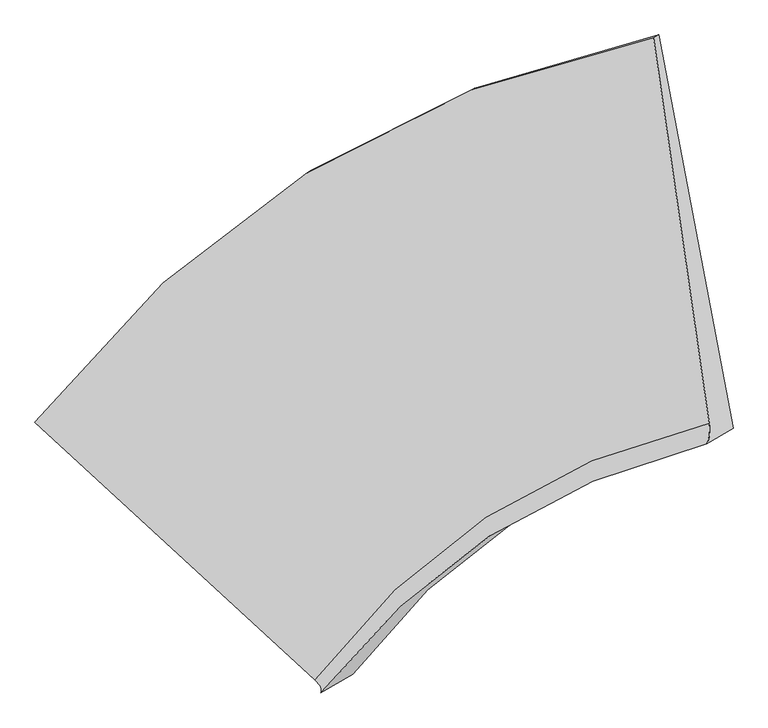
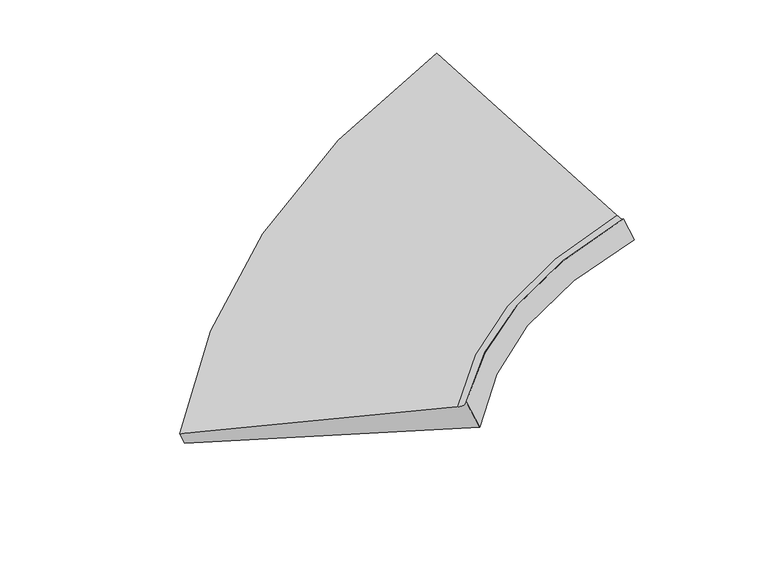
"""IFC4 building model written with IfcOpenShell, lengths in millimetres: proxy geometry."""

from ifc_helpers import new_model, si_unit, frame, origin, place, context, project, spatial, source, transform, mapped, element, save
from ifc_brep_helpers import plane_surface, spline_curve, spline_surface, advanced_brep


def generic_models_a924187b(model_context):
    return source(origin(), model_context, "Body", "AdvancedBrep", [
        advanced_brep(
        [(-3579.4191739, -5321.4659351, 458.3909318), (-3665.3828247, -5372.2466504, 631.6871225), (920.5340195, -2523.9113363, 1905.1026555), (958.538903, -2501.4609732, 1828.4876969), (-1590.0339128, -7281.0274803, 1388.0783051), (1332.4797317, -5379.0867619, 1529.9578447), (-1545.32792, -7378.1332902, 1492.6053021), (1315.6158733, -5532.1225286, 1584.9778302), (-1311.492735, -7240.001442, 1021.2113296), (1509.1675001, -5417.7871093, 1194.7924515)],
        [
            (0, 1),
            (1, 2, spline_curve(3, [(-3665.3828247, -5372.2466504, 631.6871225), (-3071.533813772, -4610.933949142, 816.041509634), (-2399.301389354, -3994.259960656, 1012.578403893), (-875.456395413, -3035.968707733, 1436.305162541), (-19.049871277, -2703.197591078, 1664.240112386), (920.5340195, -2523.9113363, 1905.1026555)], [4, 2, 4], [0.0, 9.125966644716694, 18.526865410759925])),
            (2, 3),
            (3, 0, spline_curve(3, [(958.538903, -2501.4609732, 1828.4876969), (0.878051562, -2691.425706379, 1624.066933136), (-860.316765651, -3027.025378271, 1405.784818826), (-2367.409607322, -3975.420748119, 948.286993477), (-3018.867482456, -4579.822729995, 709.870186602), (-3579.4191739, -5321.4659351, 458.3909318)], [4, 2, 4], [0.0, 9.40089876604323, 18.526865410759925])),
            (1, 4),
            (4, 5, spline_curve(3, [(-1590.0339128, -7281.0274803, 1388.0783051), (-1223.080280588, -6792.144090514, 1394.449647366), (-800.512475721, -6390.249025561, 1409.157584303), (170.257359066, -5750.948553444, 1455.940895466), (721.860769158, -5518.863378806, 1488.526138213), (1332.4797317, -5379.0867619, 1529.9578447)], [4, 2, 4], [0.0, 7.423469049318704, 15.07058017106517])),
            (5, 2),
            (4, 6, spline_curve(3, [(-1590.0339128, -7281.0274803, 1388.0783051), (-1579.920359556, -7290.795832803, 1392.499534971), (-1571.40381972, -7300.145134833, 1397.993103225), (-1557.56476708, -7318.005638167, 1411.124916175), (-1552.242254295, -7326.516839373, 1418.763160921), (-1544.791255505, -7342.701141027, 1436.184327079), (-1542.662769571, -7350.374241509, 1445.967248412), (-1541.599824629, -7364.882341491, 1467.677767788), (-1542.665365547, -7371.717341045, 1479.605365808), (-1545.32792, -7378.1332902, 1492.6053021)], [4, 2, 2, 2, 4], [0.0, 0.13921987972870037, 0.27843975945740074, 0.4176596391861011, 0.5568795189148015])),
            (6, 7, spline_curve(3, [(-1545.32792, -7378.1332902, 1492.6053021), (-1180.355936399, -6908.34298719, 1491.117104947), (-763.773331208, -6520.65965921, 1497.83290744), (186.718078305, -5900.30105054, 1528.12199083), (723.783404263, -5672.647458208, 1552.197031244), (1315.6158733, -5532.1225286, 1584.9778302)], [4, 2, 4], [0.0, 5.6630266407695045, 11.49665963899012])),
            (7, 5, spline_curve(3, [(1315.6158733, -5532.1225286, 1584.9778302), (1320.440649557, -5521.980058227, 1574.1798849), (1324.410562207, -5511.184960265, 1564.935176245), (1330.640659993, -5488.289509335, 1549.552232155), (1332.900845171, -5476.189156356, 1543.413996695), (1335.711488229, -5450.683195244, 1534.243999105), (1336.261946036, -5437.277587147, 1531.212236941), (1335.653134364, -5409.161115853, 1528.255185859), (1334.4938649, -5394.450252639, 1528.329896991), (1332.4797317, -5379.0867619, 1529.9578447)], [4, 2, 2, 2, 4], [0.0, 0.13921987972870037, 0.27843975945740074, 0.4176596391861011, 0.5568795189148015])),
            (6, 8),
            (8, 9, spline_curve(3, [(-1311.492735, -7240.001442, 1021.2113296), (-970.798229933, -6784.552406792, 1068.664685164), (-569.792568779, -6406.070739597, 1106.782423788), (366.738860716, -5793.958613839, 1165.213766849), (905.953277826, -5565.035503483, 1184.956402346), (1509.1675001, -5417.7871093, 1194.7924515)], [4, 2, 4], [0.0, 5.56957928403605, 11.306949697173241])),
            (9, 7),
            (8, 0),
            (3, 9),
        ],
        [
            spline_surface(3, 3, [[(-3579.4191739, -5321.4659351, 458.3909318), (-3018.867482541, -4579.822730076, 709.870186459), (-2367.409607465, -3975.420748022, 948.286993628), (-860.316765504, -3027.02537837, 1405.784818671), (0.878051701, -2691.425706449, 1624.066933182), (958.538903, -2501.4609732, 1828.4876969)], [(-3608.073724147, -5338.39284019, 516.156328697), (-3036.422926215, -4590.193136393, 745.260627515), (-2378.040201495, -3981.700485609, 969.717463768), (-865.363308774, -3030.006488115, 1415.958266602), (-5.764589296, -2695.34966801, 1637.457992904), (945.870608498, -2508.94442755, 1854.02601642)], [(-3636.728274453, -5355.31974531, 573.921725603), (-3053.978369948, -4600.563542738, 780.651068581), (-2388.670795472, -3987.980223196, 991.147933867), (-870.409851989, -3032.987597859, 1426.131714492), (-12.407230288, -2699.273629621, 1650.849052666), (933.202314002, -2516.42788195, 1879.56433598)], [(-3665.3828247, -5372.2466504, 631.6871225), (-3071.533813622, -4610.933949055, 816.041509638), (-2399.301389503, -3994.259960782, 1012.578404007), (-875.456395259, -3035.968707603, 1436.305162423), (-19.049871285, -2703.197591182, 1664.240112387), (920.5340195, -2523.9113363, 1905.1026555)]], [4, 4], [4, 2, 4], [0.0, 0.17766492814733853], [0.0, 9.125966644716694, 18.526865410759925]),
            spline_surface(3, 3, [[(-3665.3828247, -5372.2466504, 631.6871225), (-3071.533813622, -4610.933949055, 816.041509638), (-2399.301389503, -3994.259960782, 1012.578404007), (-875.456395259, -3035.968707603, 1436.305162423), (-19.049871285, -2703.197591182, 1664.240112387), (920.5340195, -2523.9113363, 1905.1026555)], [(-2973.599854063, -6008.506927016, 883.817516724), (-2455.382635915, -5338.003996207, 1008.844222216), (-1866.37175159, -4792.92298242, 1144.771464094), (-526.885143822, -3940.961989521, 1442.850406749), (227.920342199, -3641.752853696, 1605.66878771), (1057.849256902, -3475.636478166, 1780.054385239)], [(-2281.816883437, -6644.767203684, 1135.947910876), (-1839.231458219, -6065.07404341, 1201.646934723), (-1333.442113647, -5591.586004033, 1276.964524231), (-178.313892356, -4845.955271413, 1449.395651125), (474.890555679, -4580.308116212, 1547.097463015), (1195.164494298, -4427.361620034, 1655.006114961)], [(-1590.0339128, -7281.0274803, 1388.0783051), (-1223.080280512, -6792.144090561, 1394.449647301), (-800.512475734, -6390.249025671, 1409.157584318), (170.25735908, -5750.948553331, 1455.940895451), (721.860769163, -5518.863378727, 1488.526138337), (1332.4797317, -5379.0867619, 1529.9578447)]], [4, 4], [4, 2, 4], [0.0, 9.464638839788613], [0.0, 7.423469049318704, 15.07058017106517]),
            spline_surface(3, 3, [[(-1590.0339128, -7281.0274803, 1388.0783051), (-1223.080280512, -6792.144090561, 1394.449647301), (-800.512475734, -6390.249025671, 1409.157584318), (170.25735908, -5750.948553331, 1455.940895451), (721.860769163, -5518.863378727, 1488.526138337), (1332.4797317, -5379.0867619, 1529.9578447)], [(-1579.920359558, -7290.795832803, 1392.499534969), (-1213.681557653, -6803.685723029, 1397.801672075), (-792.131540198, -6403.142981429, 1411.477825366), (175.957016876, -5765.733301008, 1456.242455271), (725.878407602, -5534.160849191, 1487.843089356), (1334.493864901, -5394.450252637, 1528.329896991)], [(-1571.403819718, -7300.145134834, 1397.993103225), (-1205.742424947, -6814.762757674, 1402.329596106), (-785.080439703, -6415.530336444, 1415.065408664), (180.574691873, -5779.933372123, 1457.972397905), (728.931691273, -5548.837787052, 1488.657279505), (1335.653134364, -5409.161115854, 1528.255185857)], [(-1557.564767082, -7318.005638166, 1411.124916175), (-1192.783340084, -6835.987631536, 1413.737242346), (-773.637908787, -6439.291844989, 1424.775259972), (187.646076275, -5807.164161236, 1464.289049019), (733.109549302, -5576.950597469, 1493.280138262), (1336.261946036, -5437.277587146, 1531.212236943)], [(-1552.242254294, -7326.516839372, 1418.763160919), (-1187.763387934, -6846.135470658, 1420.616964605), (-769.246478442, -6450.665998575, 1430.897527916), (190.099785604, -5820.194879288, 1468.875757431), (734.234123643, -5590.386470047, 1497.088806814), (1335.711488229, -5450.683195245, 1534.243999105)], [(-1544.791255506, -7342.701141028, 1436.184327081), (-1180.642663925, -6865.501953447, 1436.728207535), (-763.123287683, -6472.401104149, 1445.676748435), (192.843238816, -5845.08696216, 1480.90594002), (734.554562822, -5616.017149953, 1507.700622289), (1332.900845171, -5476.189156355, 1543.413996695)], [(-1542.662769571, -7350.374241509, 1445.967248413), (-1178.541892132, -6874.720597145, 1445.959728122), (-761.391527288, -6482.762056206, 1454.333701025), (193.132982679, -5856.948327049, 1488.34941421), (733.750427733, -5628.211957249, 1514.503769243), (1330.640659993, -5488.289509336, 1549.552232153)], [(-1541.599824629, -7364.882341491, 1467.677767787), (-1177.259528978, -6892.228688861, 1466.774567744), (-760.587676685, -6502.470758808, 1474.182290756), (191.548504701, -5879.501703681, 1506.093128273), (730.213448063, -5651.360506643, 1531.104541437), (1324.410562207, -5511.184960264, 1564.935176247)], [(-1542.665365547, -7371.717341047, 1479.605365807), (-1178.077937541, -6900.518136935, 1478.357886758), (-761.51558644, -6511.818509335, 1485.373927892), (189.674282897, -5890.193715406, 1516.393368141), (727.480603444, -5662.314248756, 1540.902166694), (1320.440649558, -5521.980058226, 1574.179884901)], [(-1545.32792, -7378.1332902, 1492.6053021), (-1180.355936391, -6908.342987257, 1491.117104915), (-763.773331216, -6520.659659151, 1497.832907363), (186.718078313, -5900.301050601, 1528.121990909), (723.783404184, -5672.647458198, 1552.19703115), (1315.6158733, -5532.1225286, 1584.9778302)]], [4, 2, 2, 2, 4], [4, 2, 4], [0.0, 0.13921987972870037, 0.27843975945740074, 0.4176596391861011, 0.5568795189148015], [0.0, 5.6630266407695045, 11.49665963899012]),
            spline_surface(3, 3, [[(-1545.32792, -7378.1332902, 1492.6053021), (-1180.355936391, -6908.342987257, 1491.117104915), (-763.773331216, -6520.659659151, 1497.832907363), (186.718078313, -5900.301050601, 1528.121990909), (723.783404184, -5672.647458198, 1552.19703115), (1315.6158733, -5532.1225286, 1584.9778302)], [(-1467.382858327, -7332.089340816, 1335.473977934), (-1110.503367566, -6867.07946043, 1350.29963168), (-699.113077062, -6482.463352604, 1367.482746134), (246.725005757, -5864.853571689, 1407.152582894), (784.506695384, -5636.776806659, 1429.783488212), (1380.133082227, -5494.010722175, 1454.916037282)], [(-1389.437796673, -7286.045391384, 1178.342653766), (-1040.65079876, -6825.815933556, 1209.482158444), (-634.452822885, -6444.267046088, 1237.132584956), (306.731933223, -5829.406092808, 1286.183174929), (845.229986601, -5600.906155096, 1307.369945327), (1444.650291173, -5455.898915725, 1324.854244418)], [(-1311.492735, -7240.001442, 1021.2113296), (-970.798229934, -6784.55240673, 1068.664685209), (-569.792568731, -6406.070739541, 1106.782423726), (366.738860667, -5793.958613896, 1165.213766913), (905.953277801, -5565.035503557, 1184.956402388), (1509.1675001, -5417.7871093, 1194.7924515)]], [4, 4], [4, 2, 4], [0.0, 1.4258569922462059], [0.0, 5.56957928403605, 11.306949697173241]),
            spline_surface(3, 3, [[(-1311.492735, -7240.001442, 1021.2113296), (-970.798229934, -6784.55240673, 1068.664685209), (-569.792568731, -6406.070739541, 1106.782423726), (366.738860667, -5793.958613896, 1165.213766913), (905.953277801, -5565.035503557, 1184.956402388), (1509.1675001, -5417.7871093, 1194.7924515)], [(-2067.46821464, -6600.489606365, 833.604530322), (-1653.48798081, -6049.64251451, 949.066518947), (-1168.998248286, -5595.854075716, 1053.950613689), (-42.279681367, -4871.647535402, 1245.404117495), (604.261535755, -4607.165571209, 1331.326579331), (1325.624634387, -4445.678397288, 1406.024199978)], [(-2823.44369426, -5960.977770735, 645.997731078), (-2336.177731666, -5314.732622296, 829.46835272), (-1768.20392791, -4785.637411848, 1001.118803664), (-451.29822347, -3949.336456865, 1325.594468089), (302.569793747, -3649.295638796, 1477.696756239), (1142.081768713, -3473.569685212, 1617.255948422)], [(-3579.4191739, -5321.4659351, 458.3909318), (-3018.867482541, -4579.822730076, 709.870186459), (-2367.409607465, -3975.420748022, 948.286993628), (-860.316765504, -3027.02537837, 1405.784818671), (0.878051701, -2691.425706449, 1624.066933182), (958.538903, -2501.4609732, 1828.4876969)]], [4, 4], [4, 2, 4], [0.0, 9.866131047296248], [0.0, 7.2903622932261385, 14.800356637340393]),
            plane_surface(frame((1207.2672055, -4270.8737419, 1608.6636958), z_axis=(0.8857850353560146, 0.06747115125220236, 0.4591650192338772), x_axis=(-0.4298182537043373, -0.2539035763556022, 0.8664809534527513))),
            plane_surface(frame((-2338.3313133, -6518.5749596, 998.3945982), z_axis=(-0.502568315194871, -0.7299778105921819, -0.4632035023671921), x_axis=(0.7501208951527342, -0.6345591934223953, 0.18615389520066436))),
        ],
        [
            (0, [[1, 2, 3, 4]]),
            (1, [[5, 6, 7, -2]]),
            (2, [[8, 9, 10, -6]]),
            (3, [[11, 12, 13, -9]]),
            (4, [[14, -4, 15, -12]]),
            (5, [[-3, -7, -10, -13, -15]]),
            (6, [[-14, -11, -8, -5, -1]]),
        ],
    ),
    ])


if __name__ == "__main__":
    model = new_model("IFC4")
    model_context = context("Model", 3, world=origin())
    ifc_project = project(units=[si_unit("LENGTHUNIT", "METRE", prefix="MILLI")], contexts=[model_context])
    site = spatial("IfcSite", under=ifc_project)
    building = spatial("IfcBuilding", under=site)
    placement = place(None, origin())
    generic_models_shape = generic_models_a924187b(model_context)
    element("IfcBuildingElementProxy", 1, Name="Generic Models", at=placement, inside=building, context=model_context, shape_type="MappedRepresentation", body=[
        mapped(generic_models_shape, transform((0.0, 0.0, 0.0), x_axis=(1.0, 0.0, 0.0), y_axis=(0.0, 1.0, 0.0), z_axis=(0.0, 0.0, 1.0))),
    ])
    save(model, "model.ifc")
